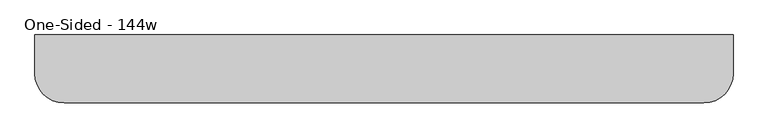
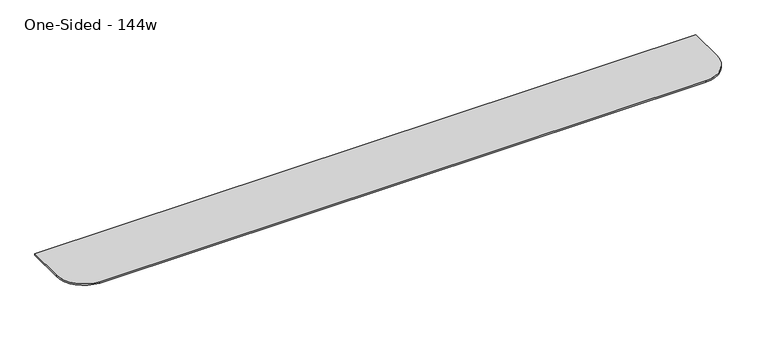
"""IFC4 building model written with IfcOpenShell, lengths in millimetres: furniture geometry, One-Sided - 144w."""

from ifc_helpers import new_model, si_unit, frame, origin, place, context, project, spatial, polyline, circle_curve, outline, extrude, source, transform, mapped, element, save
from ifc_brep_helpers import plane_surface, cylinder_surface, revolved_surface, advanced_brep


def one_sided_144w_9258afc8(model_context):
    return source(origin(), model_context, "Body", "SolidModel", [
        extrude(outline(polyline([(-205.7292425, 673.1), (-345.4292425, 704.85), (-345.4292425, 711.2), (-205.7292425, 711.2), (-205.7292425, 673.1)])), frame((1521.789177, 0.0, 0.0), z_axis=(1.0, 0.0, 0.0), x_axis=(0.0, 1.0, 0.0)), (0.0, 0.0, 1.0), 82.55),
        extrude(outline(polyline([(-205.7292425, 673.1), (-345.4292425, 704.85), (-345.4292425, 711.2), (-205.7292425, 711.2), (-205.7292425, 673.1)])), frame((874.089177, 0.0, 0.0), z_axis=(1.0, 0.0, 0.0), x_axis=(0.0, 1.0, 0.0)), (0.0, 0.0, 1.0), 82.55),
        extrude(outline(polyline([(-205.7292425, 673.1), (-345.4292425, 704.85), (-345.4292425, 711.2), (-205.7292425, 711.2), (-205.7292425, 673.1)])), frame((226.389177, 0.0, 0.0), z_axis=(1.0, 0.0, 0.0), x_axis=(0.0, 1.0, 0.0)), (0.0, 0.0, 1.0), 82.55),
        extrude(outline(polyline([(-205.7292425, 673.1), (-345.4292425, 704.85), (-345.4292425, 711.2), (-205.7292425, 711.2), (-205.7292425, 673.1)])), frame((-421.310823, 0.0, 0.0), z_axis=(1.0, 0.0, 0.0), x_axis=(0.0, 1.0, 0.0)), (0.0, 0.0, 1.0), 82.55),
        extrude(outline(polyline([(-205.7292425, 673.1), (-345.4292425, 704.85), (-345.4292425, 711.2), (-205.7292425, 711.2), (-205.7292425, 673.1)])), frame((2169.489177, 0.0, 0.0), z_axis=(1.0, 0.0, 0.0), x_axis=(0.0, 1.0, 0.0)), (0.0, 0.0, 1.0), 82.55),
        extrude(outline(polyline([(-205.7292425, 673.1), (-345.4292425, 704.85), (-345.4292425, 711.2), (-205.7292425, 711.2), (-205.7292425, 673.1)])), frame((-1069.010823, 0.0, 0.0), z_axis=(1.0, 0.0, 0.0), x_axis=(0.0, 1.0, 0.0)), (0.0, 0.0, 1.0), 82.55),
        advanced_brep(
        [(-1237.285823, -307.3292425, 742.95), (-1084.885823, -459.7292425, 742.95), (2267.914177, -459.7292425, 742.95), (2420.314177, -307.3292425, 742.95), (2420.314177, -104.1292425, 742.95), (-1237.285823, -104.1292425, 742.95), (-1186.485823, -104.1292425, 711.2), (2369.514177, -104.1292425, 711.2), (2369.514177, -307.3292425, 711.2), (2267.914177, -408.9292425, 711.2), (-1084.885823, -408.9292425, 711.2), (-1186.485823, -307.3292425, 711.2), (-1237.285823, -104.1292425, 734.45116), (-1237.285823, -307.3292425, 734.45116), (-1084.885823, -459.7292425, 734.45116), (2267.914177, -459.7292425, 734.45116), (2420.314177, -307.3292425, 734.45116), (2420.314177, -104.1292425, 734.45116)],
        [
            (0, 1, circle_curve(frame((-1084.885823, -307.3292425, 742.95), z_axis=(0.0, 0.0, 1.0), x_axis=(1.0, 0.0, 0.0)), 152.4)),
            (1, 2),
            (2, 3, circle_curve(frame((2267.914177, -307.3292425, 742.95), z_axis=(0.0, 0.0, 1.0), x_axis=(1.0, 0.0, 0.0)), 152.4)),
            (3, 4),
            (4, 5),
            (5, 0),
            (6, 7),
            (7, 8),
            (8, 9, circle_curve(frame((2267.914177, -307.3292425, 711.2), z_axis=(0.0, 0.0, -1.0), x_axis=(0.0, -1.0, 0.0)), 101.6)),
            (9, 10),
            (10, 11, circle_curve(frame((-1084.885823, -307.3292425, 711.2), z_axis=(0.0, 0.0, -1.0), x_axis=(-1.0, 0.0, 0.0)), 101.6)),
            (11, 6),
            (5, 12),
            (12, 13),
            (13, 0),
            (1, 14),
            (14, 15),
            (15, 2),
            (3, 16),
            (16, 17),
            (17, 4),
            (13, 14, circle_curve(frame((-1084.885823, -307.3292425, 734.45116), z_axis=(0.0, 0.0, 1.0), x_axis=(1.0, 0.0, 0.0)), 152.4)),
            (15, 16, circle_curve(frame((2267.914177, -307.3292425, 734.45116), z_axis=(0.0, 0.0, 1.0), x_axis=(1.0, 0.0, 0.0)), 152.4)),
            (17, 7),
            (6, 12),
            (8, 16),
            (15, 9),
            (11, 13),
            (10, 14),
        ],
        [
            plane_surface(frame((-1084.885823, 73.6707575, 742.95), z_axis=(0.0, 0.0, 1.0), x_axis=(-1.0, 0.0, 0.0))),
            plane_surface(frame((-1084.885823, 73.6707575, 711.2), z_axis=(0.0, 0.0, -1.0), x_axis=(1.0, 0.0, 0.0))),
            plane_surface(frame((-1237.285823, -78.7292425, 742.95), z_axis=(-1.0, 0.0, 0.0), x_axis=(0.0, 0.0, -1.0))),
            plane_surface(frame((-1084.885823, -459.7292425, 742.95), z_axis=(0.0, -1.0, 0.0), x_axis=(0.0, 0.0, -1.0))),
            plane_surface(frame((2420.314177, -307.3292425, 742.95), z_axis=(1.0, 0.0, 0.0), x_axis=(0.0, 0.0, -1.0))),
            cylinder_surface(frame((-1084.885823, -307.3292425, 711.2), z_axis=(0.0, 0.0, 1.0), x_axis=(1.0, 0.0, 0.0)), 152.4),
            cylinder_surface(frame((2267.914177, -307.3292425, 711.2), z_axis=(0.0, 0.0, 1.0), x_axis=(1.0, 0.0, 0.0)), 152.4),
            plane_surface(frame((-1237.285823, -104.1292425, 946.15), z_axis=(0.0, 1.0, 0.0), x_axis=(0.0, 0.0, -1.0))),
            revolved_surface(polyline([(2267.914177, -325.686944, 673.1), (2267.914177, -459.7292425, 734.45116)]), (2267.914177, -307.3292425, 742.95), (0.0, 0.0, 1.0)),
            plane_surface(frame((2420.314177, -307.3292425, 734.45116), z_axis=(0.4161787475539382, 0.0, -0.9092828218351183), x_axis=(0.0, 1.0, 0.0))),
            plane_surface(frame((-1237.285823, -78.7292425, 734.45116), z_axis=(-0.4161787475539382, 0.0, -0.9092828218351183), x_axis=(0.0, -1.0, 0.0))),
            revolved_surface(polyline([(-1103.2435246, -307.3292425, 673.1), (-1237.285823, -307.3292425, 734.45116)]), (-1084.885823, -307.3292425, 742.95), (0.0, 0.0, 1.0)),
            plane_surface(frame((-1084.885823, -459.7292425, 734.45116), z_axis=(0.0, -0.4161787475539382, -0.9092828218351183), x_axis=(1.0, 0.0, 0.0))),
        ],
        [
            (0, [[1, 2, 3, 4, 5, 6]]),
            (1, [[7, 8, 9, 10, 11, 12]]),
            (2, [[-6, 13, 14, 15]]),
            (3, [[-2, 16, 17, 18]]),
            (4, [[-4, 19, 20, 21]]),
            (5, [[-1, -15, 22, -16]]),
            (6, [[-3, -18, 23, -19]]),
            (7, [[-5, -21, 24, -7, 25, -13]]),
            (8, [[26, -23, 27, -9]]),
            (9, [[-26, -8, -24, -20]]),
            (10, [[28, -14, -25, -12]]),
            (11, [[-28, -11, 29, -22]]),
            (12, [[-29, -10, -27, -17]]),
        ],
    ),
    ])


if __name__ == "__main__":
    model = new_model("IFC4")
    model_context = context("Model", 3, world=origin())
    ifc_project = project(units=[si_unit("LENGTHUNIT", "METRE", prefix="MILLI")], contexts=[model_context])
    site = spatial("IfcSite", under=ifc_project)
    building = spatial("IfcBuilding", under=site)
    placement = place(None, origin())
    one_sided_144w_shape = one_sided_144w_9258afc8(model_context)
    element("IfcFurniture", 1, ObjectType="One-Sided - 144w", at=placement, inside=building, context=model_context, shape_type="MappedRepresentation", body=[
        mapped(one_sided_144w_shape, transform((0.0, 0.0, 0.0), x_axis=(1.0, 0.0, 0.0), y_axis=(0.0, 1.0, 0.0), z_axis=(0.0, 0.0, 1.0))),
    ])
    save(model, "model.ifc")
